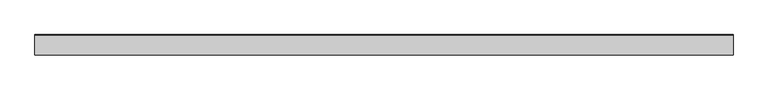
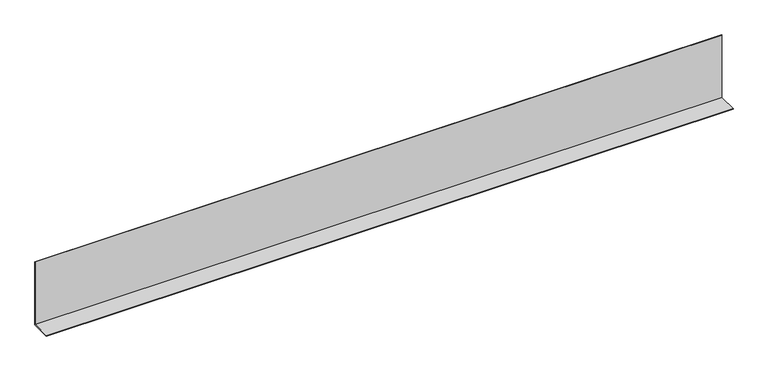
"""IFC4 building model written with IfcOpenShell, lengths in millimetres: proxy geometry."""

import ifcopenshell
import ifcopenshell.guid

model = None  # the IFC model being written
_history = None  # IfcOwnerHistory: only IFC2X3 demands one
_inside = {}  # id of a spatial element -> (the spatial element, [elements in it])
_under = {}  # id of a project, library or spatial element -> (it, [spatial elements below it])
_declared = {}  # id of a project -> (the project, [libraries it declares])
_typed = {}  # id of a type object -> (the type object, [elements of that type])
_made_of = {}  # id of a material, layer set ... -> (it, [elements and type objects made of it])


def new_model(schema):
    """Start an empty IFC model of exactly this schema.

    Asked for "IFC4X3", IfcOpenShell would pick the latest addendum, in which some entities
    have other attributes; the version numbers below select the first issue.
    IFC2X3 requires an IfcOwnerHistory on every rooted entity: one is made here for all.
    """
    global model, _history
    if schema == "IFC4X3":
        model = ifcopenshell.file(schema_version=(4, 3, 0, 0))
    else:
        model = ifcopenshell.file(schema=schema)
    _inside.clear()
    _under.clear()
    _declared.clear()
    _typed.clear()
    _made_of.clear()
    _history = None
    if model.schema == "IFC2X3":
        org = make("IfcOrganization", Name="unknown")
        user = make(
            "IfcPersonAndOrganization",
            ThePerson=make("IfcPerson", FamilyName="unknown"),
            TheOrganization=org,
        )
        app = make(
            "IfcApplication",
            ApplicationDeveloper=org,
            Version="unknown",
            ApplicationFullName="unknown",
            ApplicationIdentifier="unknown",
        )
        _history = make(
            "IfcOwnerHistory",
            OwningUser=user,
            OwningApplication=app,
            ChangeAction="ADDED",
            CreationDate=0,
        )
    return model


def make(cls, **values):
    """One entity of the class cls with the attributes given. An attribute that is None is left unset."""
    return model.create_entity(
        cls, **{name: value for name, value in values.items() if value is not None}
    )


def rooted(cls, **values):
    """An entity with a GlobalId (a new one), such as an element, a storey or a relation."""
    return make(cls, GlobalId=ifcopenshell.guid.new(), OwnerHistory=_history, **values)


def si_unit(unit_type, name, prefix=None):
    """IfcSIUnit, for example si_unit("LENGTHUNIT", "METRE", prefix="MILLI")."""
    return make("IfcSIUnit", UnitType=unit_type, Prefix=prefix, Name=name)


def assignment(units):
    """IfcUnitAssignment: the units of a project."""
    return None if units is None else make("IfcUnitAssignment", Units=units)


def point(xyz):
    """IfcCartesianPoint."""
    return None if xyz is None else make("IfcCartesianPoint", Coordinates=xyz)


def direction(xyz):
    """IfcDirection."""
    return None if xyz is None else make("IfcDirection", DirectionRatios=xyz)


def frame(location, z_axis=None, x_axis=None):
    """IfcAxis2Placement3D, a coordinate frame: its origin and axes. An axis left out is left unset."""
    return make(
        "IfcAxis2Placement3D",
        Location=point(location),
        Axis=direction(z_axis),
        RefDirection=direction(x_axis),
    )


def origin():
    """The frame at (0, 0, 0) with its axes left unset."""
    return frame((0.0, 0.0, 0.0))


def place(relative_to, where):
    """IfcLocalPlacement: puts the frame where relative to a parent placement (None: the world)."""
    return make(
        "IfcLocalPlacement", PlacementRelTo=relative_to, RelativePlacement=where
    )


def context(
    kind, dimensions, precision=None, world=None, true_north=None, identifier=None
):
    """IfcGeometricRepresentationContext, for example the 3D "Model" context."""
    return make(
        "IfcGeometricRepresentationContext",
        ContextIdentifier=identifier,
        ContextType=kind,
        CoordinateSpaceDimension=dimensions,
        Precision=precision,
        WorldCoordinateSystem=world,
        TrueNorth=true_north,
    )


def project(units=None, contexts=None):
    """IfcProject with its units and contexts."""
    return rooted(
        "IfcProject",
        Name="project",
        RepresentationContexts=contexts,
        UnitsInContext=assignment(units),
    )


def spatial(cls, under=None, at=None, **own):
    """A site, building, storey or space (cls), placed at a placement, below another one or the project."""
    s = rooted(cls, ObjectPlacement=at, **own)
    if under is not None:
        _under.setdefault(under.id(), (under, []))[1].append(s)
    return s


def polyline(points):
    """IfcPolyline through the points."""
    return make("IfcPolyline", Points=[point(p) for p in points])


def outline(outer, holes=None, kind="AREA"):
    """IfcArbitraryClosedProfileDef: a profile drawn as a closed curve; with holes, ...WithVoids."""
    if holes is None:
        return make("IfcArbitraryClosedProfileDef", ProfileType=kind, OuterCurve=outer)
    return make(
        "IfcArbitraryProfileDefWithVoids",
        ProfileType=kind,
        OuterCurve=outer,
        InnerCurves=holes,
    )


def extrude(swept, where, along, depth):
    """IfcExtrudedAreaSolid: the profile swept, set in the frame where, extruded along a direction by depth."""
    return make(
        "IfcExtrudedAreaSolid",
        SweptArea=swept,
        Position=where,
        ExtrudedDirection=direction(along),
        Depth=depth,
    )


def shape(context_of_items, identifier, shape_type, items):
    """IfcShapeRepresentation: the items that make up one representation, for example the "Body"."""
    return make(
        "IfcShapeRepresentation",
        ContextOfItems=context_of_items,
        RepresentationIdentifier=identifier,
        RepresentationType=shape_type,
        Items=items,
    )


def source(mapping_origin, context_of_items, identifier, shape_type, items):
    """IfcRepresentationMap: a shape defined once, which mapped items show again and again."""
    return make(
        "IfcRepresentationMap",
        MappingOrigin=mapping_origin,
        MappedRepresentation=shape(context_of_items, identifier, shape_type, items),
    )


def transform(
    local_origin,
    x_axis=None,
    y_axis=None,
    z_axis=None,
    scale=None,
    scale2=None,
    scale3=None,
    uniform=True,
):
    """IfcCartesianTransformationOperator3D, or its non-uniform kind. x_axis, y_axis, z_axis: its Axis1, 2, 3."""
    if uniform:
        return make(
            "IfcCartesianTransformationOperator3D",
            Axis1=direction(x_axis),
            Axis2=direction(y_axis),
            LocalOrigin=point(local_origin),
            Scale=scale,
            Axis3=direction(z_axis),
        )
    return make(
        "IfcCartesianTransformationOperator3DnonUniform",
        Axis1=direction(x_axis),
        Axis2=direction(y_axis),
        LocalOrigin=point(local_origin),
        Scale=scale,
        Axis3=direction(z_axis),
        Scale2=scale2,
        Scale3=scale3,
    )


def mapped(mapping_source, mapping_target):
    """IfcMappedItem: shows the shape of a source again, moved by a transform."""
    return make(
        "IfcMappedItem", MappingSource=mapping_source, MappingTarget=mapping_target
    )


def made_of(thing, what):
    """Note that an element or type object is made of a material, layer set ...; save() writes the relation."""
    if what is not None:
        _made_of.setdefault(what.id(), (what, []))[1].append(thing)
    return thing


def element(
    cls,
    number,
    at=None,
    inside=None,
    cuts=None,
    type_object=None,
    material=None,
    context=None,
    identifier="Body",
    shape_type=None,
    held_by="IfcProductDefinitionShape",
    body=None,
    shapes=None,
    **own,
):
    """One element of the class cls, such as IfcWall. Its Tag is "e" and its number.

    at: its placement. inside: the storey or other place that contains it. cuts: it is an
    opening in that element (IfcRelVoidsElement). A single representation is given by context,
    identifier, shape_type and body (its items); several are given by shapes. held_by: the class
    of the entity that holds the representations. save() writes the other relations.
    """
    e = rooted(cls, Tag="e%d" % number, ObjectPlacement=at, **own)
    if body is not None:
        shapes = [shape(context, identifier, shape_type, body)]
    if shapes is not None:
        e.Representation = make(held_by, Representations=shapes)
    if inside is not None:
        _inside.setdefault(inside.id(), (inside, []))[1].append(e)
    if cuts is not None:
        rooted(
            "IfcRelVoidsElement", RelatingBuildingElement=cuts, RelatedOpeningElement=e
        )
    if type_object is not None:
        _typed.setdefault(type_object.id(), (type_object, []))[1].append(e)
    return made_of(e, material)


def aggregate(whole, parts):
    """IfcRelAggregates: a whole, such as a stair, and the parts it consists of."""
    return rooted("IfcRelAggregates", RelatingObject=whole, RelatedObjects=parts)


def save(model, path):
    """Write the relations noted so far, then the file.

    IfcRelAggregates (storeys below a building ...), IfcRelContainedInSpatialStructure (elements
    in a storey), IfcRelDefinesByType, IfcRelAssociatesMaterial and IfcRelDeclares: one each for
    every whole, place, type object, material and project.
    """
    for whole, parts in _under.values():
        aggregate(whole, parts)
    for where, things in _inside.values():
        rooted(
            "IfcRelContainedInSpatialStructure",
            RelatedElements=things,
            RelatingStructure=where,
        )
    for kind, things in _typed.values():
        rooted("IfcRelDefinesByType", RelatedObjects=things, RelatingType=kind)
    for what, things in _made_of.values():
        rooted("IfcRelAssociatesMaterial", RelatedObjects=things, RelatingMaterial=what)
    for by, libraries in _declared.values():
        rooted("IfcRelDeclares", RelatingContext=by, RelatedDefinitions=libraries)
    model.write(path)


def generic_models_a5a9c9c0(model_context):
    return source(origin(), model_context, "Body", "SweptSolid", [
        extrude(outline(polyline([(0.0, 200.0), (0.0, 0.0), (-60.0, 0.0), (-60.0, 1.0), (-1.0, 1.0), (-1.0, 200.0), (0.0, 200.0)])), frame((0.0, 0.0, 0.0), z_axis=(1.0, 0.0, 0.0), x_axis=(0.0, 1.0, 0.0)), (0.0, 0.0, 1.0), 2068.5),
        extrude(outline(polyline([(0.0, 200.0), (0.0, 0.0), (-60.0, 0.0), (-60.0, 1.0), (-1.0, 1.0), (-1.0, 200.0), (0.0, 200.0)])), frame((0.0, 0.0, 0.0), z_axis=(1.0, 0.0, 0.0), x_axis=(0.0, 1.0, 0.0)), (0.0, 0.0, 1.0), 2068.5),
    ])


if __name__ == "__main__":
    model = new_model("IFC4")
    model_context = context("Model", 3, world=origin())
    ifc_project = project(units=[si_unit("LENGTHUNIT", "METRE", prefix="MILLI")], contexts=[model_context])
    site = spatial("IfcSite", under=ifc_project)
    building = spatial("IfcBuilding", under=site)
    placement = place(None, origin())
    generic_models_shape = generic_models_a5a9c9c0(model_context)
    element("IfcBuildingElementProxy", 1, Name="Generic Models", at=placement, inside=building, context=model_context, shape_type="MappedRepresentation", body=[
        mapped(generic_models_shape, transform((0.0, 0.0, 0.0), x_axis=(1.0, 0.0, 0.0), y_axis=(0.0, 1.0, 0.0), z_axis=(0.0, 0.0, 1.0))),
    ])
    save(model, "model.ifc")
